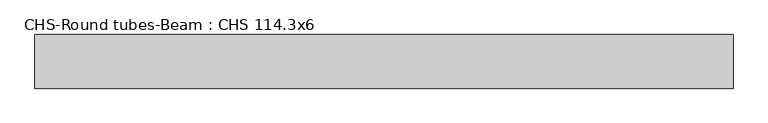
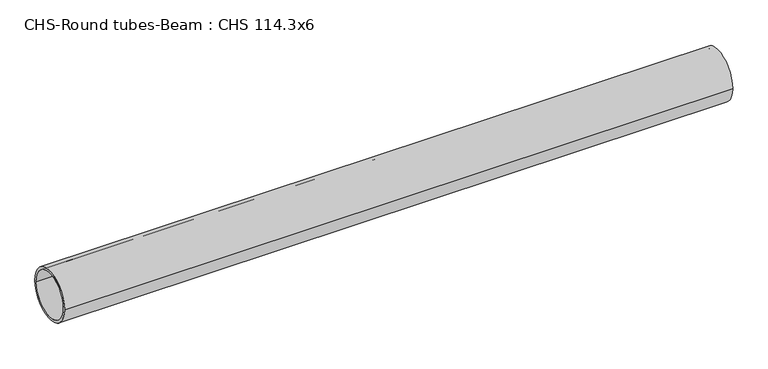
"""IFC4 building model written with IfcOpenShell, lengths in millimetres: beam geometry, CHS-Round tubes-Beam : CHS 114.3x6."""

from ifc_helpers import new_model, si_unit, point, frame, origin, origin_2d, place, context, project, spatial, circle_curve, trimmed, segment, composite_curve, outline, extrude, source, transform, mapped, element, save


def chs_round_tubes_beam_chs_114_3x6_46c0da74(model_context):
    return source(origin(), model_context, "Body", "SweptSolid", [
        extrude(outline(composite_curve([segment(trimmed(circle_curve(origin_2d(), 57.15), [point((57.15, 0.0))], [point((-57.15, 0.0))], False, "CARTESIAN"), True, "CONTINUOUS"), segment(trimmed(circle_curve(origin_2d(), 57.15), [point((-57.15, 0.0))], [point((57.15, 0.0))], False, "CARTESIAN"), True, "CONTINUOUS")], self_intersect=False), holes=[composite_curve([segment(trimmed(circle_curve(origin_2d(), 51.15), [point((51.15, 0.0))], [point((-51.15, 0.0))], True, "CARTESIAN"), True, "CONTINUOUS"), segment(trimmed(circle_curve(origin_2d(), 51.15), [point((-51.15, 0.0))], [point((51.15, 0.0))], True, "CARTESIAN"), True, "CONTINUOUS")], self_intersect=False)]), frame((-759.6261443, 0.0, 0.0), z_axis=(1.0, 0.0, 0.0), x_axis=(0.0, 1.0, 0.0)), (0.0, 0.0, 1.0), 1488.56614),
    ])


if __name__ == "__main__":
    model = new_model("IFC4")
    model_context = context("Model", 3, world=origin())
    ifc_project = project(units=[si_unit("LENGTHUNIT", "METRE", prefix="MILLI")], contexts=[model_context])
    site = spatial("IfcSite", under=ifc_project)
    building = spatial("IfcBuilding", under=site)
    placement = place(None, origin())
    chs_round_tubes_beam_chs_114_3x6_shape = chs_round_tubes_beam_chs_114_3x6_46c0da74(model_context)
    element("IfcBeam", 1, ObjectType="CHS-Round tubes-Beam : CHS 114.3x6", at=placement, inside=building, context=model_context, shape_type="MappedRepresentation", body=[
        mapped(chs_round_tubes_beam_chs_114_3x6_shape, transform((0.0, 0.0, 0.0), x_axis=(1.0, 0.0, 0.0), y_axis=(0.0, 1.0, 0.0), z_axis=(0.0, 0.0, 1.0))),
    ])
    save(model, "model.ifc")
